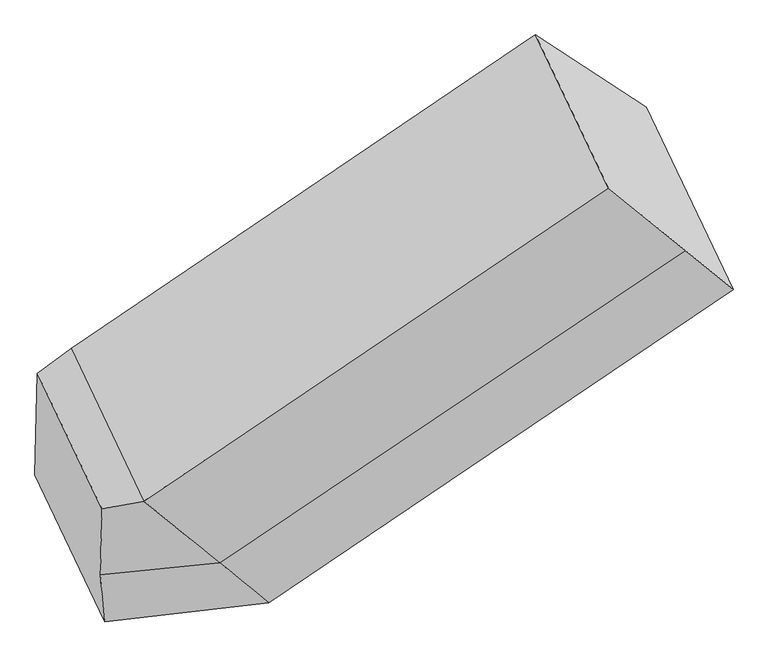
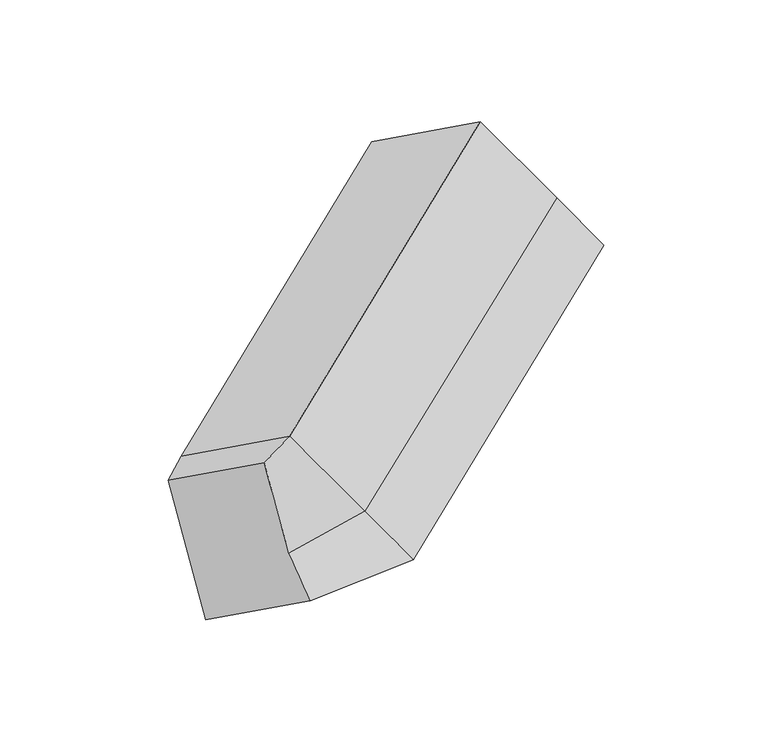
"""IFC4 building model written with IfcOpenShell, lengths in millimetres: proxy geometry."""

from ifc_helpers import new_model, si_unit, frame, origin, place, context, project, spatial, source, transform, mapped, element, save
from ifc_brep_helpers import plane_surface, spline_surface, advanced_brep


def generic_models_90fe5653(model_context):
    return source(origin(), model_context, "Body", "AdvancedBrep", [
        advanced_brep(
        [(-698.7802587, -1684.0040942, 1902.1754472), (-501.1706231, -2099.4331553, 2169.2612972), (-372.513328, -2075.7151535, 2237.4331898), (-595.4042864, -1607.1378938, 1936.1775304), (-706.3122789, -1994.7595398, 1424.3948263), (-255.9619702, -1828.3310418, 1340.9863803), (-491.9149858, -2445.4808108, 1714.1705908), (9.6896142, -2386.8027373, 1700.0365803), (-506.0493196, -2300.7180001, 1859.7896548), (-139.9938181, -2264.9704536, 1910.499034), (1430.6210997, -1427.1171669, 2132.9692283), (1164.9695153, -868.6454715, 1773.9190283), (825.5271991, -647.4523234, 2369.1101784), (1048.4181575, -1116.0295832, 2670.3658378), (1284.485913, -1308.1729173, 2338.4426698)],
        [
            (0, 1),
            (1, 2),
            (2, 3),
            (3, 0),
            (4, 0),
            (0, 5),
            (5, 4),
            (6, 4),
            (5, 7),
            (7, 6),
            (8, 6),
            (7, 9),
            (9, 8),
            (1, 8),
            (9, 2),
            (10, 11),
            (11, 12),
            (12, 13),
            (13, 14),
            (14, 10),
            (3, 5),
            (5, 11),
            (10, 7),
            (3, 12),
            (2, 13),
            (9, 14),
        ],
        [
            plane_surface(frame((-599.9754409, -1891.7186247, 2035.7183722), z_axis=(-0.48926463924269603, 0.2949412677638145, 0.8207495119441672), x_axis=(0.3714849307074737, -0.7809620995748788, 0.5020927656169333))),
            plane_surface(frame((-702.5462688, -1839.381817, 1663.2851367), z_axis=(-0.38015880652374195, 0.7780751613653355, -0.5000783189548925), x_axis=(0.013214070378800657, 0.5451849923189516, 0.8382116155805817))),
            plane_surface(frame((-599.1136323, -2220.1201753, 1569.2827086), z_axis=(0.03780862924140266, -0.5276188957405871, -0.8486393865549547), x_axis=(-0.3714849307074735, 0.7809620995748788, -0.5020927656169333))),
            spline_surface(1, 1, [[(-506.0493196, -2300.7180001, 1859.7896548), (-139.9938181, -2264.9704536, 1910.499034)], [(-491.9149858, -2445.4808108, 1714.1705908), (9.6896142, -2386.8027373, 1700.0365803)]], [2, 2], [2, 2], [0.0, 1.0], [0.0, 1.0]),
            spline_surface(1, 1, [[(-501.1706231, -2099.4331553, 2169.2612972), (-372.513328, -2075.7151535, 2237.4331898)], [(-506.0493196, -2300.7180001, 1859.7896548), (-139.9938181, -2264.9704536, 1910.499034)]], [2, 2], [2, 2], [0.0, 1.0], [0.0, 1.0]),
            plane_surface(frame((1117.3839929, -1014.8111362, 2236.5910682), z_axis=(0.7998350134730894, 0.5438001034636337, 0.2540578648565011), x_axis=(-0.3714849307074736, 0.7809620995748786, -0.5020927656169334))),
            plane_surface(frame((-580.8454932, -2104.87912, 1813.9583632), z_axis=(-0.9283449437581456, -0.30474829479057297, 0.21284769724129932), x_axis=(-0.3714849307074375, 0.7809620995749045, -0.5020927656169201))),
            plane_surface(frame((-698.7802587, -1684.0040942, 1902.1754472), z_axis=(-0.3986180402175826, 0.7619101305565673, -0.5104866413221489), x_axis=(-0.471447661442674, 0.3072127056300533, 0.8266543751893509))),
            plane_surface(frame((-123.136178, -2107.5668895, 1520.5114803), z_axis=(0.4636545808556056, -0.31248151819308445, -0.8290836691428422), x_axis=(-0.3714849307074736, 0.7809620995748786, -0.5020927656169334))),
            plane_surface(frame((-425.6831283, -1717.7344678, 1638.5819553), z_axis=(-0.37340660660777447, 0.7796525843474489, -0.5027020527728243), x_axis=(-0.47144766144267386, 0.30721270563005365, 0.8266543751893509))),
            plane_surface(frame((-483.9588072, -1841.4265237, 2086.8053601), z_axis=(-0.4636545808556075, 0.31248151819308684, 0.82908366914284), x_axis=(0.3714849307074887, -0.7809620995748663, 0.5020927656169416))),
            plane_surface(frame((-256.253573, -2170.3428036, 2073.9661119), z_axis=(0.2955240725081039, -0.7205401199767968, 0.6272857866013293), x_axis=(0.524180962035649, -0.42664817802651045, -0.7370248647271275))),
            plane_surface(frame((-65.152102, -2325.8865954, 1805.2678071), z_axis=(0.29552407250809265, -0.720540119976788, 0.6272857866013444), x_axis=(0.5241809620356037, -0.42664817802656063, -0.7370248647271306))),
        ],
        [
            (0, [[1, 2, 3, 4]]),
            (1, [[5, 6, 7]]),
            (2, [[8, -7, 9, 10]]),
            (3, [[11, -10, 12, 13]]),
            (4, [[14, -13, 15, -2]]),
            (5, [[16, 17, 18, 19, 20]]),
            (6, [[-1, -5, -8, -11, -14]]),
            (7, [[21, -6, -4]]),
            (8, [[-9, 22, -16, 23]]),
            (9, [[-21, 24, -17, -22]]),
            (10, [[-3, 25, -18, -24]]),
            (11, [[-15, 26, -19, -25]]),
            (12, [[-12, -23, -20, -26]]),
        ],
    ),
    ])


if __name__ == "__main__":
    model = new_model("IFC4")
    model_context = context("Model", 3, world=origin())
    ifc_project = project(units=[si_unit("LENGTHUNIT", "METRE", prefix="MILLI")], contexts=[model_context])
    site = spatial("IfcSite", under=ifc_project)
    building = spatial("IfcBuilding", under=site)
    placement = place(None, origin())
    generic_models_shape = generic_models_90fe5653(model_context)
    element("IfcBuildingElementProxy", 1, Name="Generic Models", at=placement, inside=building, context=model_context, shape_type="MappedRepresentation", body=[
        mapped(generic_models_shape, transform((0.0, 0.0, 0.0), x_axis=(1.0, 0.0, 0.0), y_axis=(0.0, 1.0, 0.0), z_axis=(0.0, 0.0, 1.0))),
    ])
    save(model, "model.ifc")
